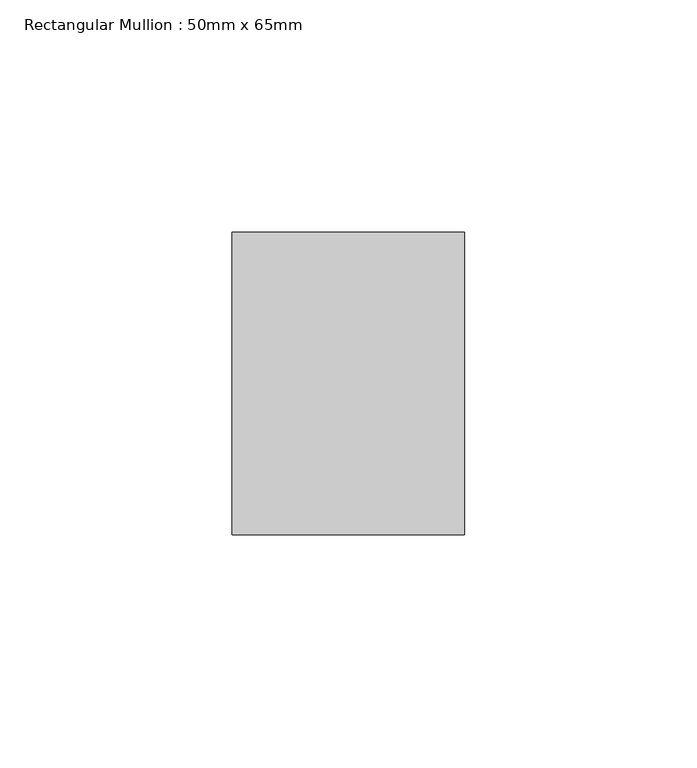
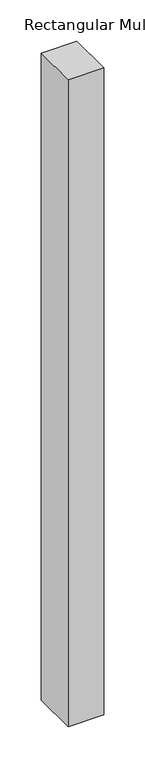
"""IFC4 building model written with IfcOpenShell, lengths in millimetres: member geometry, Rectangular Mullion : 50mm x 65mm."""

from ifc_helpers import new_model, si_unit, frame, origin, place, context, project, spatial, polyline, outline, extrude, source, transform, mapped, element, save


def rectangular_mullion_50mm_x_65mm_ad2b6f6d(model_context):
    return source(origin(), model_context, "Body", "SweptSolid", [
        extrude(outline(polyline([(25.0, 32.5), (25.0, -32.5), (-25.0, -32.5), (-25.0, 32.5), (25.0, 32.5)])), frame((0.0, 0.0, -957.763947), z_axis=(0.0, 0.0, 1.0), x_axis=(1.0, 0.0, 0.0)), (0.0, 0.0, 1.0), 957.763947),
    ])


if __name__ == "__main__":
    model = new_model("IFC4")
    model_context = context("Model", 3, world=origin())
    ifc_project = project(units=[si_unit("LENGTHUNIT", "METRE", prefix="MILLI")], contexts=[model_context])
    site = spatial("IfcSite", under=ifc_project)
    building = spatial("IfcBuilding", under=site)
    placement = place(None, origin())
    rectangular_mullion_50mm_x_65mm_shape = rectangular_mullion_50mm_x_65mm_ad2b6f6d(model_context)
    element("IfcMember", 1, ObjectType="Rectangular Mullion : 50mm x 65mm", at=placement, inside=building, context=model_context, shape_type="MappedRepresentation", body=[
        mapped(rectangular_mullion_50mm_x_65mm_shape, transform((0.0, 0.0, 0.0), x_axis=(1.0, 0.0, 0.0), y_axis=(0.0, 1.0, 0.0), z_axis=(0.0, 0.0, 1.0))),
    ])
    save(model, "model.ifc")
